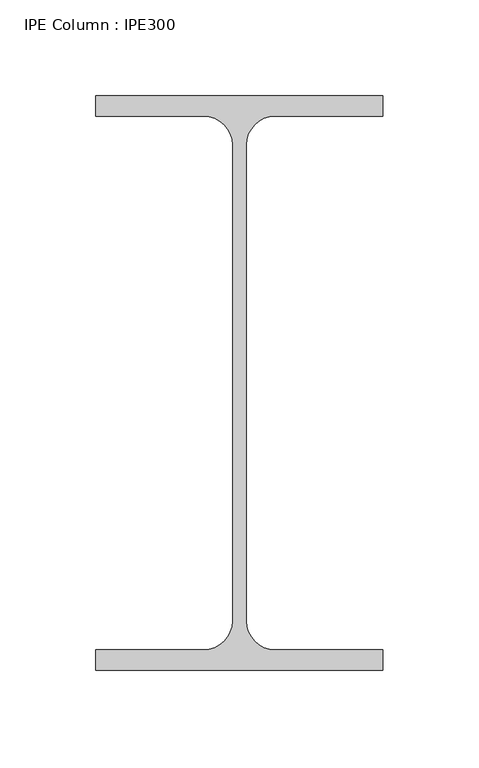
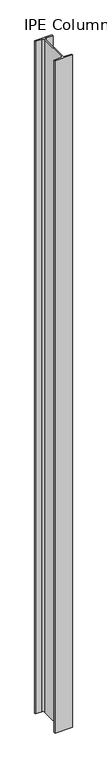
"""IFC4 building model written with IfcOpenShell, lengths in millimetres: column geometry, IPE Column : IPE300."""

from ifc_helpers import new_model, si_unit, point, frame, frame_2d, origin, place, context, project, spatial, polyline, circle_curve, trimmed, segment, composite_curve, outline, extrude, source, transform, mapped, element, save


def ipe_column_ipe300_6e703510(model_context):
    return source(origin(), model_context, "Body", "SweptSolid", [
        extrude(outline(composite_curve([segment(polyline([(75.0, 150.0), (75.0, 139.3), (18.55, 139.3)]), True, "CONTINUOUS"), segment(trimmed(circle_curve(frame_2d((18.55, 124.3)), 15.0), [point((18.55, 139.3))], [point((3.55, 124.3))], True, "CARTESIAN"), True, "CONTINUOUS"), segment(polyline([(3.55, 124.3), (3.55, -124.3)]), True, "CONTINUOUS"), segment(trimmed(circle_curve(frame_2d((18.55, -124.3)), 15.0), [point((3.55, -124.3))], [point((18.55, -139.3))], True, "CARTESIAN"), True, "CONTINUOUS"), segment(polyline([(18.55, -139.3), (75.0, -139.3), (75.0, -150.0), (-75.0, -150.0), (-75.0, -139.3), (-18.55, -139.3)]), True, "CONTINUOUS"), segment(trimmed(circle_curve(frame_2d((-18.55, -124.3)), 15.0), [point((-18.55, -139.3))], [point((-3.55, -124.3))], True, "CARTESIAN"), True, "CONTINUOUS"), segment(polyline([(-3.55, -124.3), (-3.55, 124.3)]), True, "CONTINUOUS"), segment(trimmed(circle_curve(frame_2d((-18.55, 124.3)), 15.0), [point((-3.55, 124.3))], [point((-18.55, 139.3))], True, "CARTESIAN"), True, "CONTINUOUS"), segment(polyline([(-18.55, 139.3), (-75.0, 139.3), (-75.0, 150.0), (75.0, 150.0)]), True, "CONTINUOUS")], self_intersect=False)), frame((0.0, 0.0, 1400.0), z_axis=(0.0, 0.0, 1.0), x_axis=(1.0, 0.0, 0.0)), (0.0, 0.0, 1.0), 6100.0),
    ])


if __name__ == "__main__":
    model = new_model("IFC4")
    model_context = context("Model", 3, world=origin())
    ifc_project = project(units=[si_unit("LENGTHUNIT", "METRE", prefix="MILLI")], contexts=[model_context])
    site = spatial("IfcSite", under=ifc_project)
    building = spatial("IfcBuilding", under=site)
    placement = place(None, origin())
    ipe_column_ipe300_shape = ipe_column_ipe300_6e703510(model_context)
    element("IfcColumn", 1, ObjectType="IPE Column : IPE300", at=placement, inside=building, context=model_context, shape_type="MappedRepresentation", body=[
        mapped(ipe_column_ipe300_shape, transform((0.0, 0.0, 0.0), x_axis=(1.0, 0.0, 0.0), y_axis=(0.0, 1.0, 0.0), z_axis=(0.0, 0.0, 1.0))),
    ])
    save(model, "model.ifc")
